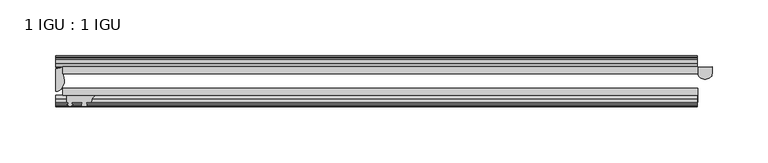
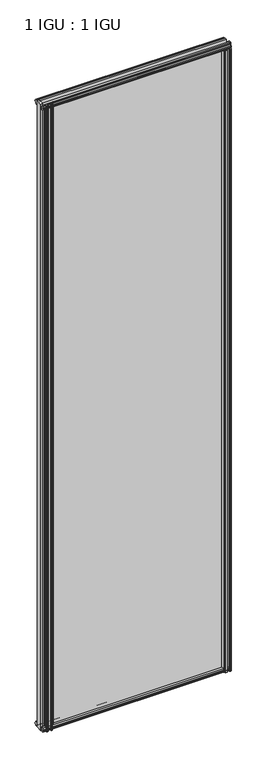
"""IFC4 building model written with IfcOpenShell, lengths in millimetres: plate geometry, 1 IGU : 1 IGU."""

from ifc_helpers import new_model, si_unit, point, frame, frame_2d, origin, place, context, project, spatial, polyline, circle_curve, ellipse_curve, trimmed, segment, composite_curve, outline, extrude, source, transform, mapped, element, save
from ifc_brep_helpers import plane_surface, cylinder_surface, revolved_surface, extruded_surface, advanced_brep


def plate_1_igu_1_igu_30fff6d5(model_context):
    return source(origin(), model_context, "Body", "SolidModel", [
        extrude(outline(polyline([(-314.3182532, -38.6468937), (253.8940345, -38.6468937), (253.8940345, -44.9460938), (-314.3182532, -44.9460938), (-314.3182532, -38.6468937)])), frame((0.0, 0.0, -12.7), z_axis=(0.0, 0.0, 1.0), x_axis=(1.0, 0.0, 0.0)), (0.0, 0.0, 1.0), 2019.2872996),
        extrude(outline(polyline([(-314.3182532, -19.5460937), (253.8940345, -19.5460937), (253.8940345, -25.8960938), (-314.3182532, -25.8960938), (-314.3182532, -19.5460937)])), frame((0.0, 0.0, -12.7), z_axis=(0.0, 0.0, 1.0), x_axis=(1.0, 0.0, 0.0)), (0.0, 0.0, 1.0), 2019.2872996),
        advanced_brep(
        [(266.5698689, -19.5460937, -12.4587), (266.5698689, -25.8452938, -12.4587), (253.8698689, -25.8452938, -12.4587), (253.8698689, -19.5460938, -12.4587), (266.5698689, -19.5460937, 1993.1252996), (253.8698689, -19.5460938, 1993.1252996), (253.8698689, -25.8452938, 1993.1252996), (266.5698689, -25.8452938, 1993.1252996)],
        [
            (0, 1),
            (1, 2, ellipse_curve(frame((260.2198689, -25.8452938, -12.4587), z_axis=(0.0, 0.0, -1.0), x_axis=(-1.0, 0.0, 0.0)), 6.35, 4.7800819)),
            (2, 3),
            (3, 0, circle_curve(frame((260.2198689, 20.9435078, -12.4587), z_axis=(0.0, 0.0, 1.0), x_axis=(1.0, 0.0, 0.0)), 40.9845134)),
            (4, 5, circle_curve(frame((260.2198689, 20.9435078, 1993.1252996), z_axis=(0.0, 0.0, -1.0), x_axis=(1.0, 0.0, 0.0)), 40.9845134)),
            (5, 6),
            (6, 7, ellipse_curve(frame((260.2198689, -25.8452938, 1993.1252996), z_axis=(0.0, 0.0, 1.0), x_axis=(-1.0, 0.0, 0.0)), 6.35, 4.7800819)),
            (7, 4),
            (0, 4),
            (7, 1),
            (6, 2),
            (5, 3),
        ],
        [
            plane_surface(frame((253.1995032, -13.1960938, -12.4587), z_axis=(0.0, 0.0, -1.0), x_axis=(0.0, 1.0, 0.0))),
            plane_surface(frame((253.1995032, -13.1960938, 1993.1252996), z_axis=(0.0, 0.0, 1.0), x_axis=(0.0, 1.0, 0.0))),
            plane_surface(frame((266.5698689, -19.5460937, -12.4587), z_axis=(1.0, 0.0, 0.0), x_axis=(0.0, 0.0, 1.0))),
            extruded_surface(trimmed(ellipse_curve(frame((260.2198689, -25.8452938, 1993.1252996), z_axis=(0.0, 0.0, -1.0), x_axis=(-1.0, 0.0, 0.0)), 6.35, 4.7800819), [point((266.5698689, -25.8452938, 1993.1252996))], [point((253.8698689, -25.8452938, 1993.1252996))], True, "CARTESIAN"), (0.0, 0.0, -2005.5839996), 2005.5839996),
            plane_surface(frame((253.8698689, -25.8452938, -12.4587), z_axis=(-1.0, 0.0, 0.0), x_axis=(0.0, 0.0, 1.0))),
            revolved_surface(polyline([(301.2043823, 20.9435078, 1993.1252996), (301.2043823, 20.9435078, -12.4587)]), (260.2198689, 20.9435078, -12.4587), (0.0, 0.0, 1.0)),
        ],
        [
            (0, [[1, 2, 3, 4]]),
            (1, [[5, 6, 7, 8]]),
            (2, [[-1, 9, -8, 10]]),
            (3, [[-2, -10, -7, 11]]),
            (4, [[-3, -11, -6, 12]]),
            (5, [[-4, -12, -5, -9]]),
        ],
    ),
        advanced_brep(
        [(-320.6682532, -21.1706006, -12.7), (-314.3196413, -19.5461438, -12.7), (-314.3196413, -25.8549351, -12.7), (-313.1442901, -32.21431, -12.7), (-320.6682532, -41.5384043, -12.7), (-320.6682532, -21.1706006, 2006.5872996), (-320.6682532, -41.5384043, 2006.5872996), (-313.1442901, -32.21431, 2006.5872996), (-314.3196413, -25.8549351, 2006.5872996), (-314.3196413, -19.5461438, 2006.5872996)],
        [
            (0, 1, circle_curve(frame((-320.6688226, -7.9505008, -12.7), z_axis=(0.0, 0.0, 1.0), x_axis=(1.0, 0.0, 0.0)), 13.2200998)),
            (1, 2),
            (2, 3, circle_curve(frame((-331.2066544, -32.2643264, -12.7), z_axis=(0.0, 0.0, -1.0), x_axis=(1.0, 0.0, 0.0)), 18.0624336)),
            (3, 4, ellipse_curve(frame((-320.6674203, -32.2460921, -12.7), z_axis=(0.0, 0.0, -1.0), x_axis=(0.0, -1.0, 0.0)), 9.2923123, 7.5231742)),
            (4, 0),
            (5, 6),
            (6, 7, ellipse_curve(frame((-320.6674203, -32.2460921, 2006.5872996), z_axis=(0.0, 0.0, 1.0), x_axis=(0.0, -1.0, 0.0)), 9.2923123, 7.5231742)),
            (7, 8, circle_curve(frame((-331.2066544, -32.2643264, 2006.5872996), z_axis=(0.0, 0.0, 1.0), x_axis=(1.0, 0.0, 0.0)), 18.0624336)),
            (8, 9),
            (9, 5, circle_curve(frame((-320.6688226, -7.9505008, 2006.5872996), z_axis=(0.0, 0.0, -1.0), x_axis=(1.0, 0.0, 0.0)), 13.2200998)),
            (0, 5),
            (9, 1),
            (8, 2),
            (7, 3),
            (6, 4),
        ],
        [
            plane_surface(frame((-320.6682532, -13.1960937, -12.7), z_axis=(0.0, 0.0, -1.0), x_axis=(0.0, 1.0, 0.0))),
            plane_surface(frame((-320.6682532, -13.1960937, 2006.5872996), z_axis=(0.0, 0.0, 1.0), x_axis=(0.0, 1.0, 0.0))),
            revolved_surface(polyline([(-307.4487228, -7.9505008, 2006.5872996), (-307.4487228, -7.9505008, -12.7)]), (-320.6688226, -7.9505008, -12.7), (0.0, 0.0, 1.0)),
            plane_surface(frame((-314.3196413, -19.5461438, -12.7), z_axis=(1.0, 0.0, 0.0), x_axis=(0.0, 0.0, 1.0))),
            cylinder_surface(frame((-331.2066544, -32.2643264, -12.7), z_axis=(0.0, 0.0, -1.0), x_axis=(1.0, 0.0, 0.0)), 18.0624336),
            extruded_surface(trimmed(ellipse_curve(frame((-320.6674203, -32.2460921, 2006.5872996), z_axis=(0.0, 0.0, -1.0), x_axis=(0.0, -1.0, 0.0)), 9.2923123, 7.5231742), [point((-313.1442901, -32.21431, 2006.5872996))], [point((-320.6682532, -41.5384043, 2006.5872996))], True, "CARTESIAN"), (0.0, 0.0, -2019.2872996), 2019.2872996),
            plane_surface(frame((-320.6682532, -41.5384043, -12.7), z_axis=(-1.0, 0.0, 0.0), x_axis=(0.0, 0.0, 1.0))),
        ],
        [
            (0, [[1, 2, 3, 4, 5]]),
            (1, [[6, 7, 8, 9, 10]]),
            (2, [[-1, 11, -10, 12]]),
            (3, [[-2, -12, -9, 13]]),
            (4, [[-3, -13, -8, 14]]),
            (5, [[-4, -14, -7, 15]]),
            (6, [[-5, -15, -6, -11]]),
        ],
    ),
        extrude(outline(polyline([(-44.9460937, 1.7177181), (-44.9460937, -9.1036578), (-48.3496937, -11.938), (-51.2960937, -11.938), (-51.2960937, -7.493), (-53.6762907, -7.112), (-53.2163575, -8.5275291), (-54.0175717, -8.5275291), (-54.7250937, -6.35), (-54.0175717, -4.1724709), (-53.2163575, -4.1724709), (-53.6762907, -5.588), (-51.2960937, -5.207), (-51.2960937, 0.0), (-44.9460937, 1.7177181)])), frame((-320.6682532, 0.0, 0.0), z_axis=(1.0, 0.0, 0.0), x_axis=(0.0, 1.0, 0.0)), (0.0, 0.0, 1.0), 573.8677564),
        extrude(outline(polyline([(-13.1960937, -12.4587), (-16.1424937, -12.4587), (-19.5460937, -9.6243578), (-19.5460937, 1.1970181), (-13.1960937, -0.5207), (-13.1960937, -5.7277), (-10.8158968, -6.1087), (-11.27583, -4.6931709), (-10.4746158, -4.6931709), (-9.7670937, -6.8707), (-10.4746158, -9.0482291), (-11.27583, -9.0482291), (-10.8158968, -7.6327), (-13.1960937, -8.0137), (-13.1960937, -12.4587)])), frame((-320.6682532, 0.0, 0.0), z_axis=(1.0, 0.0, 0.0), x_axis=(0.0, 1.0, 0.0)), (0.0, 0.0, 1.0), 573.8677564),
        extrude(outline(polyline([(-51.2960937, 2005.8252996), (-48.3496937, 2005.8252996), (-44.9460937, 2002.9909574), (-44.9460937, 1992.1695815), (-51.2960937, 1993.8872996), (-51.2960937, 1999.0942996), (-53.6762907, 1999.4752996), (-53.2163575, 1998.0597705), (-54.0175717, 1998.0597705), (-54.7250937, 2000.2372996), (-54.0175717, 2002.4148286), (-53.2163575, 2002.4148286), (-53.6762907, 2000.9992996), (-51.2960937, 2001.3802996), (-51.2960937, 2005.8252996)])), frame((-320.6682532, 0.0, 0.0), z_axis=(1.0, 0.0, 0.0), x_axis=(0.0, 1.0, 0.0)), (0.0, 0.0, 1.0), 573.8677564),
        extrude(outline(polyline([(-19.5460937, 1992.6902815), (-19.5460937, 2003.5116574), (-16.1424937, 2006.3459996), (-13.1960937, 2006.3459996), (-13.1960937, 2001.9009996), (-10.8158968, 2001.5199996), (-11.27583, 2002.9355286), (-10.4746158, 2002.9355286), (-9.7670937, 2000.7579996), (-10.4746158, 1998.5804705), (-11.27583, 1998.5804705), (-10.8158968, 1999.9959996), (-13.1960937, 1999.6149996), (-13.1960937, 1994.4079996), (-19.5460937, 1992.6902815)])), frame((-320.6682532, 0.0, 0.0), z_axis=(1.0, 0.0, 0.0), x_axis=(0.0, 1.0, 0.0)), (0.0, 0.0, 1.0), 573.8677564),
        extrude(outline(composite_curve([segment(polyline([(253.4971596, -44.9460938), (253.4971596, -51.2960938), (251.8461596, -51.2960938), (251.8461596, -52.9470938), (252.9237903, -52.9470938)]), True, "CONTINUOUS"), segment(trimmed(circle_curve(frame_2d((251.8461596, -52.9470938)), 1.0776307), [point((252.9237903, -52.9470938))], [point((252.6081596, -53.7090938))], False, "CARTESIAN"), True, "CONTINUOUS"), segment(polyline([(252.6081596, -53.7090938), (250.8688672, -54.8194621)]), True, "CONTINUOUS"), segment(trimmed(circle_curve(frame_2d((250.3221596, -53.9630938)), 1.016), [point((250.8688672, -54.8194621))], [point((249.775452, -54.8194621))], False, "CARTESIAN"), True, "CONTINUOUS"), segment(polyline([(249.775452, -54.8194621), (248.0361596, -53.7090938)]), True, "CONTINUOUS"), segment(trimmed(circle_curve(frame_2d((248.7981596, -52.9470938)), 1.0776307), [point((248.0361596, -53.7090938))], [point((247.7205289, -52.9470938))], False, "CARTESIAN"), True, "CONTINUOUS"), segment(polyline([(247.7205289, -52.9470938), (248.7981596, -52.9470938), (248.7981596, -51.2960938), (239.7303596, -51.2960938)]), True, "CONTINUOUS"), segment(trimmed(circle_curve(frame_2d((239.7303596, -51.7532938)), 0.4572), [point((239.7303596, -51.2960938))], [point((239.3915418, -52.0602698))], True, "CARTESIAN"), True, "CONTINUOUS"), segment(trimmed(circle_curve(frame_2d((237.6221596, -53.663367)), 2.3876), [point((239.3915418, -52.0602698))], [point((239.6928026, -54.8520938))], False, "CARTESIAN"), True, "CONTINUOUS"), segment(polyline([(239.6928026, -54.8520938), (235.5515166, -54.8520938)]), True, "CONTINUOUS"), segment(trimmed(circle_curve(frame_2d((237.6221596, -53.663367)), 2.3876), [point((235.5515166, -54.8520938))], [point((235.8527775, -52.0602698))], False, "CARTESIAN"), True, "CONTINUOUS"), segment(trimmed(circle_curve(frame_2d((235.5139596, -51.7532938)), 0.4572), [point((235.8527775, -52.0602698))], [point((235.5139596, -51.2960938))], True, "CARTESIAN"), True, "CONTINUOUS"), segment(polyline([(235.5139596, -51.2960938), (231.2721596, -51.2960938)]), True, "CONTINUOUS"), segment(trimmed(circle_curve(frame_2d((222.2562281, -51.9750196)), 9.0414579), [point((231.2721596, -51.2960938))], [point((227.9432451, -44.9460938))], True, "CARTESIAN"), True, "CONTINUOUS"), segment(polyline([(227.9432451, -44.9460938), (253.4971596, -44.9460938)]), True, "CONTINUOUS")], self_intersect=False)), frame((0.0, 0.0, -12.7), z_axis=(0.0, 0.0, 1.0), x_axis=(1.0, 0.0, 0.0)), (0.0, 0.0, 1.0), 2006.5872996),
        extrude(outline(composite_curve([segment(trimmed(circle_curve(frame_2d((-279.9023219, -51.9750196)), 9.0414579), [point((-285.5893388, -44.9460938))], [point((-288.9182534, -51.2960938))], True, "CARTESIAN"), True, "CONTINUOUS"), segment(polyline([(-288.9182534, -51.2960938), (-293.1600534, -51.2960938)]), True, "CONTINUOUS"), segment(trimmed(circle_curve(frame_2d((-293.1600534, -51.7532938)), 0.4572), [point((-293.1600534, -51.2960938))], [point((-293.4988712, -52.0602698))], True, "CARTESIAN"), True, "CONTINUOUS"), segment(trimmed(circle_curve(frame_2d((-295.2682534, -53.663367)), 2.3876), [point((-293.4988712, -52.0602698))], [point((-293.1976104, -54.8520938))], False, "CARTESIAN"), True, "CONTINUOUS"), segment(polyline([(-293.1976104, -54.8520938), (-297.3388964, -54.8520938)]), True, "CONTINUOUS"), segment(trimmed(circle_curve(frame_2d((-295.2682534, -53.663367)), 2.3876), [point((-297.3388964, -54.8520938))], [point((-297.0376355, -52.0602698))], False, "CARTESIAN"), True, "CONTINUOUS"), segment(trimmed(circle_curve(frame_2d((-297.3764534, -51.7532938)), 0.4572), [point((-297.0376355, -52.0602698))], [point((-297.3764534, -51.2960938))], True, "CARTESIAN"), True, "CONTINUOUS"), segment(polyline([(-297.3764534, -51.2960938), (-306.4442534, -51.2960938), (-306.4442534, -52.9470938), (-305.3666226, -52.9470938)]), True, "CONTINUOUS"), segment(trimmed(circle_curve(frame_2d((-306.4442534, -52.9470938)), 1.0776307), [point((-305.3666226, -52.9470938))], [point((-305.6822534, -53.7090938))], False, "CARTESIAN"), True, "CONTINUOUS"), segment(polyline([(-305.6822534, -53.7090938), (-307.4215458, -54.8194621)]), True, "CONTINUOUS"), segment(trimmed(circle_curve(frame_2d((-307.9682534, -53.9630938)), 1.016), [point((-307.4215458, -54.8194621))], [point((-308.514961, -54.8194621))], False, "CARTESIAN"), True, "CONTINUOUS"), segment(polyline([(-308.514961, -54.8194621), (-310.2542534, -53.7090938)]), True, "CONTINUOUS"), segment(trimmed(circle_curve(frame_2d((-309.4922534, -52.9470938)), 1.0776307), [point((-310.2542534, -53.7090938))], [point((-310.5698841, -52.9470938))], False, "CARTESIAN"), True, "CONTINUOUS"), segment(polyline([(-310.5698841, -52.9470938), (-309.4922534, -52.9470938), (-309.4922534, -51.2960938), (-311.1432534, -51.2960938), (-311.1432534, -44.9460938), (-285.5893388, -44.9460938)]), True, "CONTINUOUS")], self_intersect=False)), frame((0.0, 0.0, -12.7), z_axis=(0.0, 0.0, 1.0), x_axis=(1.0, 0.0, 0.0)), (0.0, 0.0, 1.0), 2019.2872997),
    ])


if __name__ == "__main__":
    model = new_model("IFC4")
    model_context = context("Model", 3, world=origin())
    ifc_project = project(units=[si_unit("LENGTHUNIT", "METRE", prefix="MILLI")], contexts=[model_context])
    site = spatial("IfcSite", under=ifc_project)
    building = spatial("IfcBuilding", under=site)
    placement = place(None, origin())
    plate_1_igu_1_igu_shape = plate_1_igu_1_igu_30fff6d5(model_context)
    element("IfcPlate", 1, ObjectType="1 IGU : 1 IGU", at=placement, inside=building, context=model_context, shape_type="MappedRepresentation", body=[
        mapped(plate_1_igu_1_igu_shape, transform((0.0, 0.0, 0.0), x_axis=(1.0, 0.0, 0.0), y_axis=(0.0, 1.0, 0.0), z_axis=(0.0, 0.0, 1.0))),
    ])
    save(model, "model.ifc")
